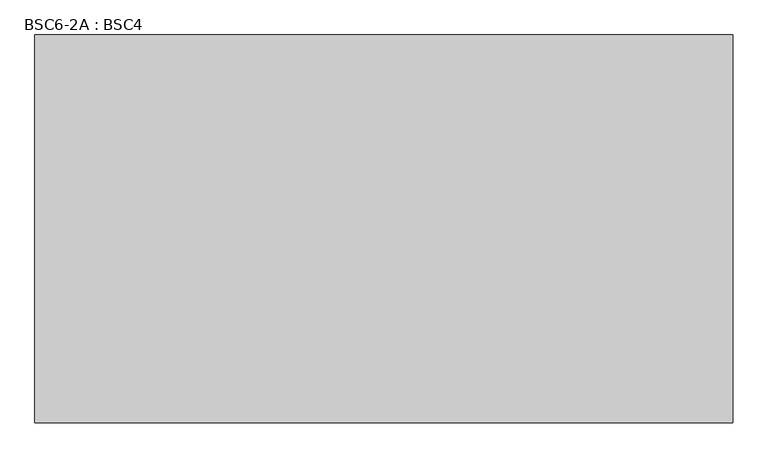
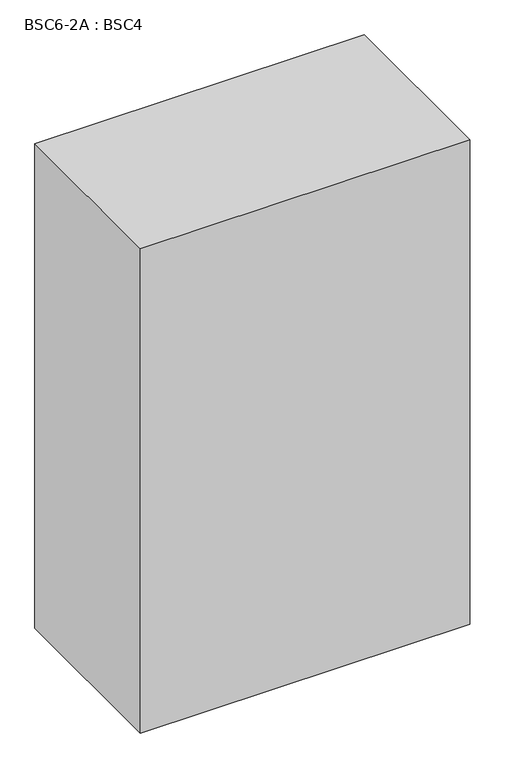
"""IFC4 building model written with IfcOpenShell, lengths in millimetres: proxy geometry, BSC6-2A : BSC4."""

from ifc_helpers import new_model, si_unit, origin, origin_with_axes, place, context, project, spatial, polyline, outline, extrude, source, transform, mapped, element, save


def bsc6_2a_bsc4_4b630041(model_context):
    return source(origin(), model_context, "Body", "SweptSolid", [
        extrude(outline(polyline([(94.9377049, 609.6), (94.9377049, -152.4), (-1276.6622951, -152.4), (-1276.6622951, 609.6), (94.9377049, 609.6)])), origin_with_axes(), (0.0, 0.0, 1.0), 2133.6),
    ])


if __name__ == "__main__":
    model = new_model("IFC4")
    model_context = context("Model", 3, world=origin())
    ifc_project = project(units=[si_unit("LENGTHUNIT", "METRE", prefix="MILLI")], contexts=[model_context])
    site = spatial("IfcSite", under=ifc_project)
    building = spatial("IfcBuilding", under=site)
    placement = place(None, origin())
    bsc6_2a_bsc4_shape = bsc6_2a_bsc4_4b630041(model_context)
    element("IfcBuildingElementProxy", 1, Name="BSC6-2A : BSC4", ObjectType="BSC6-2A : BSC4", at=placement, inside=building, context=model_context, shape_type="MappedRepresentation", body=[
        mapped(bsc6_2a_bsc4_shape, transform((0.0, 0.0, 0.0), x_axis=(1.0, 0.0, 0.0), y_axis=(0.0, 1.0, 0.0), z_axis=(0.0, 0.0, 1.0))),
    ])
    save(model, "model.ifc")
